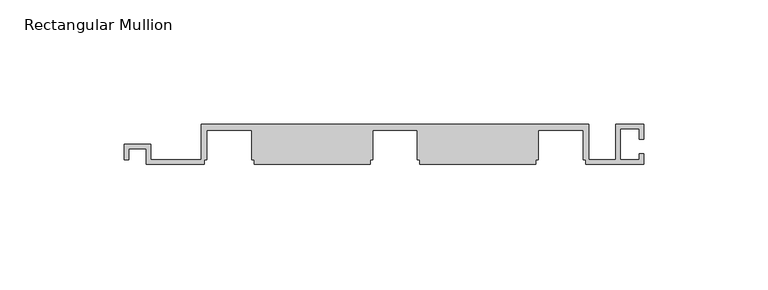
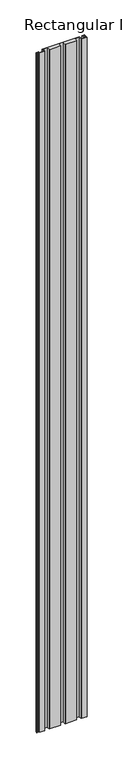
"""IFC4 building model written with IfcOpenShell, lengths in millimetres: member geometry, Rectangular Mullion."""

from ifc_helpers import new_model, si_unit, frame, origin, place, context, project, spatial, polyline, outline, extrude, source, transform, mapped, element, save


def rectangular_mullion_67d301a1(model_context):
    return source(origin(), model_context, "Body", "SweptSolid", [
        extrude(outline(polyline([(-0.0329962, -16.0), (-0.0329962, -14.3000011), (-1.033, -14.3000011), (-1.033, -2.3), (-19.033, -2.3), (-19.033, -14.3000011), (-20.0330038, -14.3000011), (-20.0330038, -16.0), (-66.6994962, -16.0), (-66.6994962, -14.3000011), (-67.6995, -14.3000011), (-67.6995, -2.3), (-85.6995, -2.3), (-85.6995, -14.3000011), (-86.6995038, -14.3000011), (-86.6995038, -16.0), (-133.3659962, -16.0), (-133.3659962, -14.3000011), (-134.366, -14.3000011), (-134.366, -2.3), (-152.366, -2.3), (-152.366, -14.3000011), (-153.3660038, -14.3000011), (-153.3660038, -16.0), (-176.7, -16.0), (-176.7, -9.8), (-183.7000001, -9.8), (-183.7000001, -14.2), (-185.5000001, -14.2), (-185.5000001, -8.0), (-174.9, -8.0), (-174.9, -14.2), (-154.566, -14.2), (-154.566, 0.0), (1.167, 0.0), (1.167, -14.2), (12.1, -14.2), (12.1, 0.0), (23.3, 0.0), (23.3, -6.0), (21.5, -6.0), (21.5, -1.8), (13.9, -1.8), (13.9, -14.2), (21.5, -14.2), (21.5, -11.8), (23.3, -11.8), (23.3, -16.0), (-0.0329962, -16.0)])), frame((0.0, 0.0, -3000.0), z_axis=(0.0, 0.0, 1.0), x_axis=(1.0, 0.0, 0.0)), (0.0, 0.0, 1.0), 3000.0),
    ])


if __name__ == "__main__":
    model = new_model("IFC4")
    model_context = context("Model", 3, world=origin())
    ifc_project = project(units=[si_unit("LENGTHUNIT", "METRE", prefix="MILLI")], contexts=[model_context])
    site = spatial("IfcSite", under=ifc_project)
    building = spatial("IfcBuilding", under=site)
    placement = place(None, origin())
    rectangular_mullion_shape = rectangular_mullion_67d301a1(model_context)
    element("IfcMember", 1, ObjectType="Rectangular Mullion", at=placement, inside=building, context=model_context, shape_type="MappedRepresentation", body=[
        mapped(rectangular_mullion_shape, transform((0.0, 0.0, 0.0), x_axis=(1.0, 0.0, 0.0), y_axis=(0.0, 1.0, 0.0), z_axis=(0.0, 0.0, 1.0))),
    ])
    save(model, "model.ifc")
